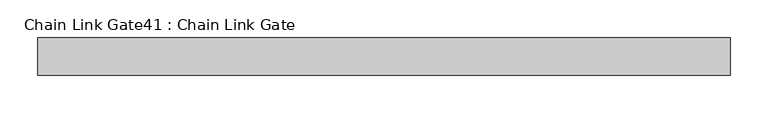
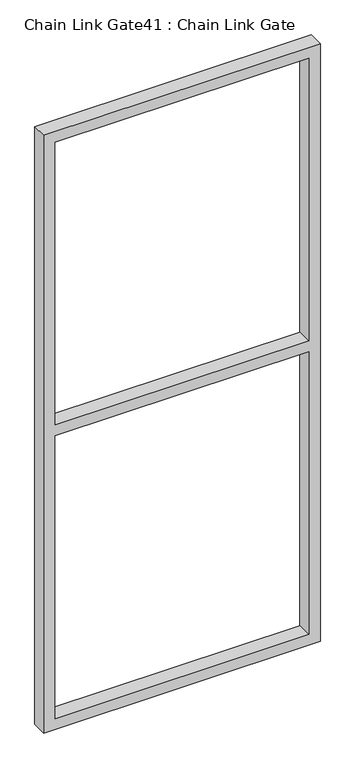
"""IFC4 building model written with IfcOpenShell, lengths in millimetres: proxy geometry, Chain Link Gate41 : Chain Link Gate."""

from ifc_helpers import new_model, si_unit, frame, origin, place, context, project, spatial, polyline, outline, extrude, source, transform, mapped, element, save


def chain_link_gate41_chain_link_gate_adce4b16(model_context):
    return source(origin(), model_context, "Body", "SweptSolid", [
        extrude(outline(polyline([(2120.9, -8496.3098205), (2120.9, -9420.2348205), (12.7, -9420.2348205), (12.7, -8496.3098205), (2120.9, -8496.3098205)]), holes=[polyline([(2082.8, -8534.4098205), (1085.85, -8534.4098205), (1085.85, -9382.1348205), (2082.8, -9382.1348205), (2082.8, -8534.4098205)]), polyline([(1047.75, -9382.1348205), (1047.75, -8534.4098205), (50.8, -8534.4098205), (50.8, -9382.1348205), (1047.75, -9382.1348205)])]), frame((0.0, -5842.957317, 0.0), z_axis=(0.0, 1.0, 0.0), x_axis=(0.0, 0.0, 1.0)), (0.0, 0.0, 1.0), 50.1314753),
    ])


if __name__ == "__main__":
    model = new_model("IFC4")
    model_context = context("Model", 3, world=origin())
    ifc_project = project(units=[si_unit("LENGTHUNIT", "METRE", prefix="MILLI")], contexts=[model_context])
    site = spatial("IfcSite", under=ifc_project)
    building = spatial("IfcBuilding", under=site)
    placement = place(None, origin())
    chain_link_gate41_chain_link_gate_shape = chain_link_gate41_chain_link_gate_adce4b16(model_context)
    element("IfcBuildingElementProxy", 1, Name="Chain Link Gate41 : Chain Link Gate", ObjectType="Chain Link Gate41 : Chain Link Gate", at=placement, inside=building, context=model_context, shape_type="MappedRepresentation", body=[
        mapped(chain_link_gate41_chain_link_gate_shape, transform((0.0, 0.0, 0.0), x_axis=(1.0, 0.0, 0.0), y_axis=(0.0, 1.0, 0.0), z_axis=(0.0, 0.0, 1.0))),
    ])
    save(model, "model.ifc")
